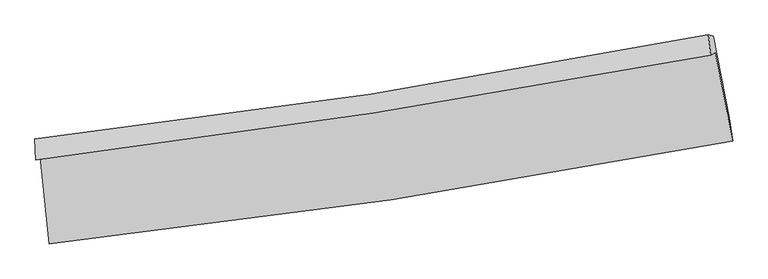
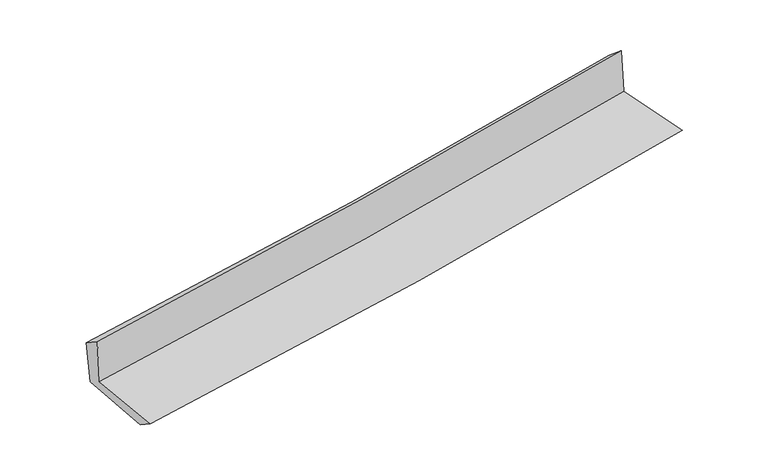
"""IFC4 building model written with IfcOpenShell, lengths in millimetres: proxy geometry."""

from ifc_helpers import new_model, si_unit, frame, origin, place, context, project, spatial, source, transform, mapped, element, save
from ifc_brep_helpers import plane_surface, spline_curve, spline_surface, advanced_brep


def generic_models_96d70d66(model_context):
    return source(origin(), model_context, "Body", "AdvancedBrep", [
        advanced_brep(
        [(-2582.7372024, -1874.0411539, 1657.3408445), (-2512.6296038, -2535.7108382, 1638.7026128), (2669.5575348, -1756.057877, 2108.3915319), (2537.415209, -1082.601217, 2111.7137258), (-2615.5642911, -1898.0143525, 2056.5741626), (2503.6603828, -1101.8324378, 2515.8896104), (-2622.7917513, -1740.7645808, 1954.329892), (2485.3893233, -948.5628037, 2389.5014291), (-2589.4468803, -1742.2572933, 1579.0345806), (2521.2388294, -959.6130531, 2026.6176997), (-2519.0977879, -2390.3031453, 1541.7270818), (2646.0194764, -1580.8190044, 1992.4134421)],
        [
            (0, 1),
            (1, 2, spline_curve(3, [(-2512.6296038, -2535.7108382, 1638.7026128), (-1647.794319802, -2442.169018586, 1720.486899844), (-785.156148404, -2330.741323911, 1800.37863897), (942.273127396, -2071.130229126, 1956.970522474), (1807.030669157, -1922.673603121, 2033.641756451), (2669.5575348, -1756.057877, 2108.3915319)], [4, 2, 4], [0.0, 8.550540801052085, 17.166143302877607])),
            (2, 3),
            (3, 0, spline_curve(3, [(2537.415209, -1082.601217, 2111.7137258), (1685.393081552, -1243.691108769, 2036.302634795), (831.076823135, -1390.384997125, 1960.588025928), (-875.675165293, -1653.981704173, 1809.12583179), (-1728.076377342, -1771.101128212, 1733.382813791), (-2582.7372024, -1874.0411539, 1657.3408445)], [4, 2, 4], [0.0, 8.615602501825522, 17.166143302877607])),
            (4, 0),
            (3, 5),
            (5, 4, spline_curve(3, [(2503.6603828, -1101.8324378, 2515.8896104), (1651.760026586, -1261.964490615, 2437.981029589), (797.582321423, -1408.579440711, 2360.607400064), (-908.860168616, -1673.770030982, 2207.510299741), (-1761.09068808, -1792.549052772, 2131.778780049), (-2615.5642911, -1898.0143525, 2056.5741626)], [4, 2, 4], [0.0, 8.565401970596351, 17.066121335432154])),
            (6, 4),
            (5, 7),
            (7, 6, spline_curve(3, [(2485.3893233, -948.5628037, 2389.5014291), (1636.192568024, -1115.360594575, 2319.174285412), (784.288829333, -1264.961584314, 2247.604280124), (-918.478925604, -1528.770097016, 2102.52840071), (-1769.302211483, -1643.23636606, 2029.041226936), (-2622.7917513, -1740.7645808, 1954.329892)], [4, 2, 4], [0.0, 8.554713191664694, 17.044824495096876])),
            (8, 6),
            (7, 9),
            (9, 8, spline_curve(3, [(2521.2388294, -959.6130531, 2026.6176997), (1671.057503822, -1121.714033651, 1953.573684892), (818.453041181, -1268.173009019, 1879.608239112), (-885.145321152, -1528.819069576, 1730.400002243), (-1736.10276161, -1643.241507678, 1655.171074824), (-2589.4468803, -1742.2572933, 1579.0345806)], [4, 2, 4], [0.0, 8.54549936106481, 17.026466413185304])),
            (10, 8),
            (9, 11),
            (11, 10, spline_curve(3, [(2646.0194764, -1580.8190044, 1992.4134421), (1787.994146171, -1758.35893042, 1919.257870931), (926.912134292, -1914.76176569, 1844.976290794), (-794.839612203, -2184.271779481, 1694.730561778), (-1655.463354878, -2297.696991311, 1618.783355159), (-2519.0977879, -2390.3031453, 1541.7270818)], [4, 2, 4], [0.0, 8.595387275157025, 17.125865507120658])),
            (1, 10),
            (11, 2),
        ],
        [
            spline_surface(3, 3, [[(-2582.7372024, -1874.0411539, 1657.3408445), (-1728.076377326, -1771.101128243, 1733.38281375), (-875.675165286, -1653.981704225, 1809.125831919), (831.076823128, -1390.384997073, 1960.588025798), (1685.393081571, -1243.691108798, 2036.302634751), (2537.415209, -1082.601217, 2111.7137258)], [(-2559.368002876, -2094.597715344, 1651.128100589), (-1701.315691451, -1994.790424999, 1729.084175774), (-845.502159709, -1879.568244159, 1806.210100885), (868.142257927, -1617.300074409, 1959.382191366), (1725.93894414, -1470.018606922, 2035.41567536), (2581.462650943, -1307.086770342, 2110.606327835)], [(-2535.998803324, -2315.154276756, 1644.915356711), (-1674.555005548, -2218.479721723, 1724.785537831), (-815.32915412, -2105.154784057, 1803.294369914), (905.207692738, -1844.215151709, 1958.176356998), (1766.484806681, -1696.346105018, 2034.528715963), (2625.510092857, -1531.572323658, 2109.498929865)], [(-2512.6296038, -2535.7108382, 1638.7026128), (-1647.794319673, -2442.169018479, 1720.486899855), (-785.156148543, -2330.741323991, 1800.378638879), (942.273127536, -2071.130229045, 1956.970522565), (1807.030669251, -1922.673603142, 2033.641756572), (2669.5575348, -1756.057877, 2108.3915319)]], [4, 4], [4, 2, 4], [0.0, 2.2515054122742932], [0.0, 8.550540801052085, 17.166143302877607]),
            spline_surface(3, 3, [[(-2615.5642911, -1898.0143525, 2056.5741626), (-1761.090688171, -1792.549052757, 2131.77877997), (-908.860168638, -1673.770031102, 2207.510299767), (797.582321445, -1408.579440591, 2360.607400038), (1651.760026538, -1261.964490643, 2437.981029528), (2503.6603828, -1101.8324378, 2515.8896104)], [(-2604.621928182, -1890.023286296, 1923.496389886), (-1750.085917872, -1785.399744581, 1998.980124549), (-897.798500873, -1667.173922136, 2074.715477167), (808.747155321, -1402.514626079, 2227.26760864), (1662.971044888, -1255.873363335, 2304.088231253), (2514.91199154, -1095.422030841, 2381.164315517)], [(-2593.679565318, -1882.032220104, 1790.418617214), (-1739.081147625, -1778.250436419, 1866.181469171), (-886.736833051, -1660.57781319, 1941.920654519), (819.911989253, -1396.449811585, 2093.927817195), (1674.18206322, -1249.782236106, 2170.195433026), (2526.16360026, -1089.011623959, 2246.439020683)], [(-2582.7372024, -1874.0411539, 1657.3408445), (-1728.076377326, -1771.101128243, 1733.38281375), (-875.675165286, -1653.981704225, 1809.125831919), (831.076823128, -1390.384997073, 1960.588025798), (1685.393081571, -1243.691108798, 2036.302634751), (2537.415209, -1082.601217, 2111.7137258)]], [4, 4], [4, 2, 4], [0.0, 1.3157731058444984], [0.0, 8.500719364835803, 17.066121335432154]),
            spline_surface(3, 3, [[(-2622.7917513, -1740.7645808, 1954.329892), (-1769.302211495, -1643.236366102, 2029.041227024), (-918.47892548, -1528.770096926, 2102.52840073), (784.288829209, -1264.961584404, 2247.604280104), (1636.192568048, -1115.360594547, 2319.174285441), (2485.3893233, -948.5628037, 2389.5014291)], [(-2620.382597891, -1793.18117137, 1988.411315528), (-1766.565037045, -1693.007261657, 2063.287078), (-915.2726732, -1577.103408328, 2137.522367058), (788.719993287, -1312.834203142, 2285.271986732), (1641.381720885, -1164.228559934, 2358.776533459), (2491.479676473, -999.652681755, 2431.630822856)], [(-2617.973444509, -1845.59776193, 2022.492739072), (-1763.827862622, -1742.778157202, 2097.532928993), (-912.066420918, -1625.4367197, 2172.516333438), (793.151157367, -1360.706821852, 2322.939693411), (1646.570873701, -1213.096525256, 2398.378781509), (2497.570029627, -1050.742559745, 2473.760216644)], [(-2615.5642911, -1898.0143525, 2056.5741626), (-1761.090688171, -1792.549052757, 2131.77877997), (-908.860168638, -1673.770031102, 2207.510299767), (797.582321445, -1408.579440591, 2360.607400038), (1651.760026538, -1261.964490643, 2437.981029528), (2503.6603828, -1101.8324378, 2515.8896104)]], [4, 4], [4, 2, 4], [0.0, 0.5945581201280622], [0.0, 8.490111303432181, 17.044824495096876]),
            spline_surface(3, 3, [[(-2589.4468803, -1742.2572933, 1579.0345806), (-1736.102761533, -1643.241507782, 1655.171074925), (-885.145321118, -1528.819069625, 1730.400002135), (818.453041147, -1268.17300897, 1879.608239221), (1671.057503921, -1121.714033727, 1953.573685013), (2521.2388294, -959.6130531, 2026.6176997)], [(-2600.561837304, -1741.759722468, 1704.13301776), (-1747.169244858, -1643.239793889, 1779.794458984), (-896.25652256, -1528.802745385, 1854.442801678), (807.064970513, -1267.102534108, 2002.273586193), (1659.435858609, -1119.596220667, 2075.440551827), (2509.288994013, -955.929636634, 2147.578942839)], [(-2611.676794296, -1741.262151632, 1829.23145484), (-1758.23572817, -1643.238079994, 1904.417842964), (-907.367724039, -1528.786421166, 1978.485601187), (795.676899842, -1266.032059266, 2124.938933132), (1647.81421336, -1117.478407607, 2197.307418626), (2497.339158687, -952.246220166, 2268.540185961)], [(-2622.7917513, -1740.7645808, 1954.329892), (-1769.302211495, -1643.236366102, 2029.041227024), (-918.47892548, -1528.770096926, 2102.52840073), (784.288829209, -1264.961584404, 2247.604280104), (1636.192568048, -1115.360594547, 2319.174285441), (2485.3893233, -948.5628037, 2389.5014291)]], [4, 4], [4, 2, 4], [0.0, 1.2191150047964556], [0.0, 8.480967052120494, 17.026466413185304]),
            spline_surface(3, 3, [[(-2519.0977879, -2390.3031453, 1541.7270818), (-1655.463354769, -2297.696991448, 1618.783355144), (-794.839612065, -2184.271779616, 1694.730561823), (926.912134153, -1914.761765553, 1844.976290749), (1787.994146207, -1758.358930415, 1919.257870827), (2646.0194764, -1580.8190044, 1992.4134421)], [(-2542.547485372, -2174.287861307, 1554.162914719), (-1682.343157029, -2079.545163566, 1630.912595057), (-824.941515094, -1965.787542955, 1706.620375263), (890.75910314, -1699.232180028, 1856.520273577), (1749.015265457, -1546.143964857, 1930.696475552), (2604.425927413, -1373.750353972, 2003.814861296)], [(-2565.997182828, -1958.272577293, 1566.598747681), (-1709.222959273, -1861.393335664, 1643.041835013), (-855.04341809, -1747.303306286, 1718.510188694), (854.60607216, -1483.702594495, 1868.064256394), (1710.03638467, -1333.928999284, 1942.135080288), (2562.832378387, -1166.681703528, 2015.216280504)], [(-2589.4468803, -1742.2572933, 1579.0345806), (-1736.102761533, -1643.241507782, 1655.171074925), (-885.145321118, -1528.819069625, 1730.400002135), (818.453041147, -1268.17300897, 1879.608239221), (1671.057503921, -1121.714033727, 1953.573685013), (2521.2388294, -959.6130531, 2026.6176997)]], [4, 4], [4, 2, 4], [0.0, 2.1636381189297893], [0.0, 8.530478231963633, 17.125865507120658]),
            spline_surface(3, 3, [[(-2512.6296038, -2535.7108382, 1638.7026128), (-1647.794319673, -2442.169018479, 1720.486899855), (-785.156148543, -2330.741323991, 1800.378638879), (942.273127536, -2071.130229045, 1956.970522565), (1807.030669251, -1922.673603142, 2033.641756572), (2669.5575348, -1756.057877, 2108.3915319)], [(-2514.785665175, -2487.241607217, 1606.377435819), (-1650.350664713, -2394.011676119, 1686.585718304), (-788.383969696, -2281.918142522, 1765.162613202), (937.15279643, -2019.00740787, 1919.639111969), (1800.685161554, -1867.902045556, 1995.51379468), (2661.711515319, -1697.644919456, 2069.732168656)], [(-2516.941726525, -2438.772376283, 1574.052258781), (-1652.907009729, -2345.854333808, 1652.684536695), (-791.611790913, -2233.094961086, 1729.9465875), (932.032465259, -1966.884586728, 1882.307701346), (1794.339653903, -1813.130488001, 1957.385832719), (2653.865495881, -1639.231961944, 2031.072805344)], [(-2519.0977879, -2390.3031453, 1541.7270818), (-1655.463354769, -2297.696991448, 1618.783355144), (-794.839612065, -2184.271779616, 1694.730561823), (926.912134153, -1914.761765553, 1844.976290749), (1787.994146207, -1758.358930415, 1919.257870827), (2646.0194764, -1580.8190044, 1992.4134421)]], [4, 4], [4, 2, 4], [0.0, 0.6132953865993309], [0.0, 8.589499446287935, 17.244357032577874]),
            plane_surface(frame((2560.5467926, -1238.2477322, 2190.7545732), z_axis=(0.9773260664468805, 0.19131852413890224, 0.09072476048345507), x_axis=(-0.09826692613979023, 0.03028979078892503, 0.9946990197044532))),
            plane_surface(frame((-2573.7112528, -2030.181894, 1737.9515291), z_axis=(-0.9908636549369443, -0.10251912954216136, -0.08763016263203997), x_axis=(-0.1053244732819013, 0.9940436187832402, 0.028000701494969586))),
        ],
        [
            (0, [[1, 2, 3, 4]]),
            (1, [[5, -4, 6, 7]]),
            (2, [[8, -7, 9, 10]]),
            (3, [[11, -10, 12, 13]]),
            (4, [[14, -13, 15, 16]]),
            (5, [[17, -16, 18, -2]]),
            (6, [[-12, -9, -6, -3, -18, -15]]),
            (7, [[-1, -5, -8, -11, -14, -17]]),
        ],
    ),
    ])


if __name__ == "__main__":
    model = new_model("IFC4")
    model_context = context("Model", 3, world=origin())
    ifc_project = project(units=[si_unit("LENGTHUNIT", "METRE", prefix="MILLI")], contexts=[model_context])
    site = spatial("IfcSite", under=ifc_project)
    building = spatial("IfcBuilding", under=site)
    placement = place(None, origin())
    generic_models_shape = generic_models_96d70d66(model_context)
    element("IfcBuildingElementProxy", 1, Name="Generic Models", at=placement, inside=building, context=model_context, shape_type="MappedRepresentation", body=[
        mapped(generic_models_shape, transform((0.0, 0.0, 0.0), x_axis=(1.0, 0.0, 0.0), y_axis=(0.0, 1.0, 0.0), z_axis=(0.0, 0.0, 1.0))),
    ])
    save(model, "model.ifc")
